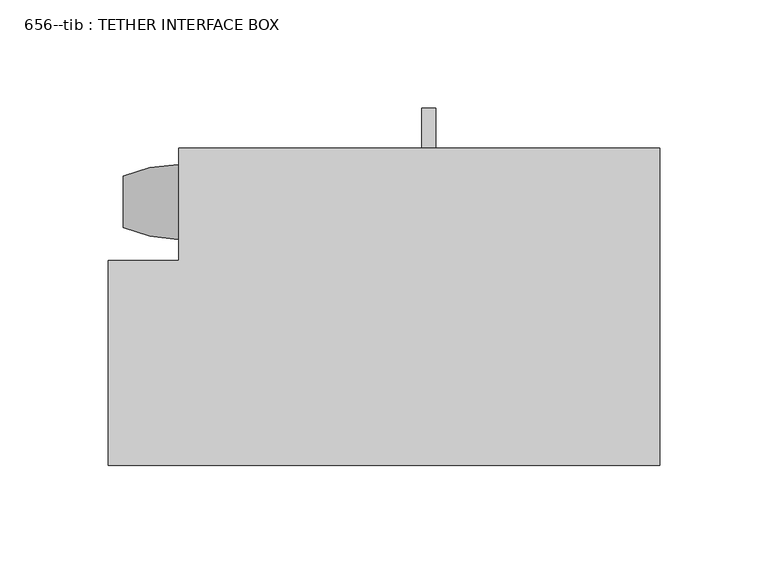
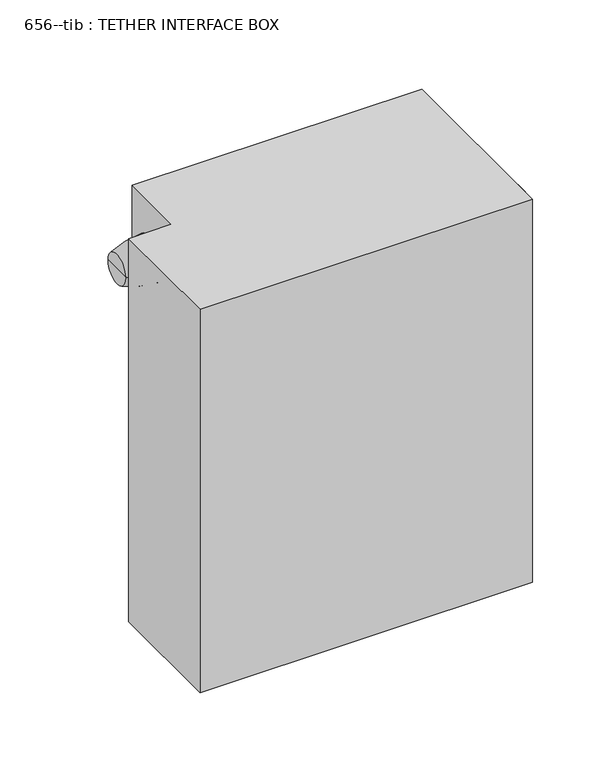
"""IFC4 building model written with IfcOpenShell, lengths in millimetres: proxy geometry, 656--tib : TETHER INTERFACE BOX."""

from ifc_helpers import new_model, si_unit, point, frame, origin, place, context, project, spatial, polyline, circle_curve, ellipse_curve, trimmed, outline, extrude, faceted_brep, source, transform, mapped, element, save
from ifc_brep_helpers import plane_surface, revolved_surface, advanced_brep


def proxy_656_tib_tether_interface_box_0fc1f8f5(model_context):
    return source(origin(), model_context, "Body", "SolidModel", [
        extrude(outline(polyline([(-776.4326378, 99.0166155), (-776.4326378, -47.6350561), (-1031.1946378, -47.6350561), (-1031.1946378, 46.9075751), (-998.5099525, 46.9075751), (-998.5099525, 99.0166155), (-776.4326378, 99.0166155)])), frame((0.0, 0.0, 1064.26), z_axis=(0.0, 0.0, 1.0), x_axis=(1.0, 0.0, 0.0)), (0.0, 0.0, 1.0), 309.88),
        faceted_brep([(-879.9713419, 99.0166155, 1357.9357243), (-879.9713419, 117.4649439, 1357.9357243), (-886.3213419, 117.4649439, 1357.9357243), (-886.3213419, 99.0166155, 1357.9357243), (-879.9713419, 99.0166155, 1351.4371691), (-886.3213419, 99.0166155, 1351.4371691), (-886.3213419, 117.4649439, 1351.4371691), (-879.9713419, 117.4649439, 1351.4371691)], [[[0, 1, 2, 3]], [[4, 5, 6, 7]], [[1, 0, 4, 7]], [[2, 1, 7, 6]], [[3, 2, 6, 5]], [[0, 3, 5, 4]]]),
        faceted_brep([(-879.9713419, 81.1429439, 1091.2357243), (-879.9713419, 117.4649439, 1091.2357243), (-886.3213419, 117.4649439, 1091.2357243), (-886.3213419, 81.1429439, 1091.2357243), (-879.9713419, 81.1429439, 1084.7371691), (-886.3213419, 81.1429439, 1084.7371691), (-886.3213419, 117.4649439, 1084.7371691), (-879.9713419, 117.4649439, 1084.7371691)], [[[0, 1, 2, 3]], [[4, 5, 6, 7]], [[1, 0, 4, 7]], [[2, 1, 7, 6]], [[3, 2, 6, 5]], [[0, 3, 5, 4]]]),
        advanced_brep(
        [(-998.9584952, 56.7113981, 1330.7292887), (-998.9584952, 91.4662339, 1330.7292887), (-998.9584952, 74.088816, 1330.7292887), (-1024.3584952, 62.153645, 1330.7292887), (-1024.3584952, 86.023987, 1330.7292887), (-1024.3584952, 74.088816, 1330.7292887)],
        [
            (0, 1, circle_curve(frame((-998.9584952, 74.088816, 1330.7292887), z_axis=(1.0, 0.0, 0.0), x_axis=(0.0, 1.0, 0.0)), 17.3774179)),
            (1, 2),
            (2, 0),
            (1, 0, circle_curve(frame((-998.9584952, 74.088816, 1330.7292887), z_axis=(1.0, 0.0, 0.0), x_axis=(0.0, 1.0, 0.0)), 17.3774179)),
            (0, 3, circle_curve(frame((-997.3485059, 126.2199602, 1330.7292887), z_axis=(0.0, 0.0, -1.0), x_axis=(0.0, -1.0, 0.0)), 69.5272052)),
            (3, 4, circle_curve(frame((-1024.3584952, 74.088816, 1330.7292887), z_axis=(1.0, 0.0, 0.0), x_axis=(0.0, 1.0, 0.0)), 11.935171)),
            (4, 1, circle_curve(frame((-997.3485059, 21.9576719, 1330.7292887), z_axis=(0.0, 0.0, -1.0), x_axis=(0.0, 1.0, 0.0)), 69.5272052)),
            (4, 3, circle_curve(frame((-1024.3584952, 74.088816, 1330.7292887), z_axis=(1.0, 0.0, 0.0), x_axis=(0.0, 1.0, 0.0)), 11.935171)),
            (3, 5),
            (5, 4),
        ],
        [
            plane_surface(frame((-998.9584952, 74.088816, 1330.7292887), z_axis=(1.0, 0.0, 0.0), x_axis=(0.0, 1.0, 0.0))),
            revolved_surface(trimmed(ellipse_curve(frame((-997.3485059, 21.9576719, 1330.7292887), z_axis=(0.0, 0.0, 1.0), x_axis=(0.0, 1.0, 0.0)), 69.5272052, 69.5272052), [point((-998.9584952, 91.4662339, 1330.7292887))], [point((-1024.3584952, 86.023987, 1330.7292887))], True, "CARTESIAN"), (-1020.5009456, 74.088816, 1330.7292887), (-1.0, 0.0, 0.0)),
            plane_surface(frame((-1024.3584952, 74.088816, 1330.7292887), z_axis=(-1.0, 0.0, 0.0), x_axis=(0.0, 1.0, 0.0))),
        ],
        [
            (0, [[1, 2, 3]]),
            (0, [[-2, 4, -3]]),
            (1, [[-1, 5, 6, 7]]),
            (1, [[-4, -7, 8, -5]]),
            (2, [[-6, 9, 10]]),
            (2, [[-8, -10, -9]]),
        ],
    ),
        extrude(outline(polyline([(-776.4326378, -47.6350561), (-1031.1946378, -47.6350561), (-1031.1946378, -28.5850561), (-776.4326378, -28.5850561), (-776.4326378, -47.6350561)])), frame((0.0, 0.0, 1064.26), z_axis=(0.0, 0.0, 1.0), x_axis=(1.0, 0.0, 0.0)), (0.0, 0.0, 1.0), 309.88),
    ])


if __name__ == "__main__":
    model = new_model("IFC4")
    model_context = context("Model", 3, world=origin())
    ifc_project = project(units=[si_unit("LENGTHUNIT", "METRE", prefix="MILLI")], contexts=[model_context])
    site = spatial("IfcSite", under=ifc_project)
    building = spatial("IfcBuilding", under=site)
    placement = place(None, origin())
    proxy_656_tib_tether_interface_box_shape = proxy_656_tib_tether_interface_box_0fc1f8f5(model_context)
    element("IfcBuildingElementProxy", 1, Name="656--tib : TETHER INTERFACE BOX", ObjectType="656--tib : TETHER INTERFACE BOX", at=placement, inside=building, context=model_context, shape_type="MappedRepresentation", body=[
        mapped(proxy_656_tib_tether_interface_box_shape, transform((0.0, 0.0, 0.0), x_axis=(1.0, 0.0, 0.0), y_axis=(0.0, 1.0, 0.0), z_axis=(0.0, 0.0, 1.0))),
    ])
    save(model, "model.ifc")
